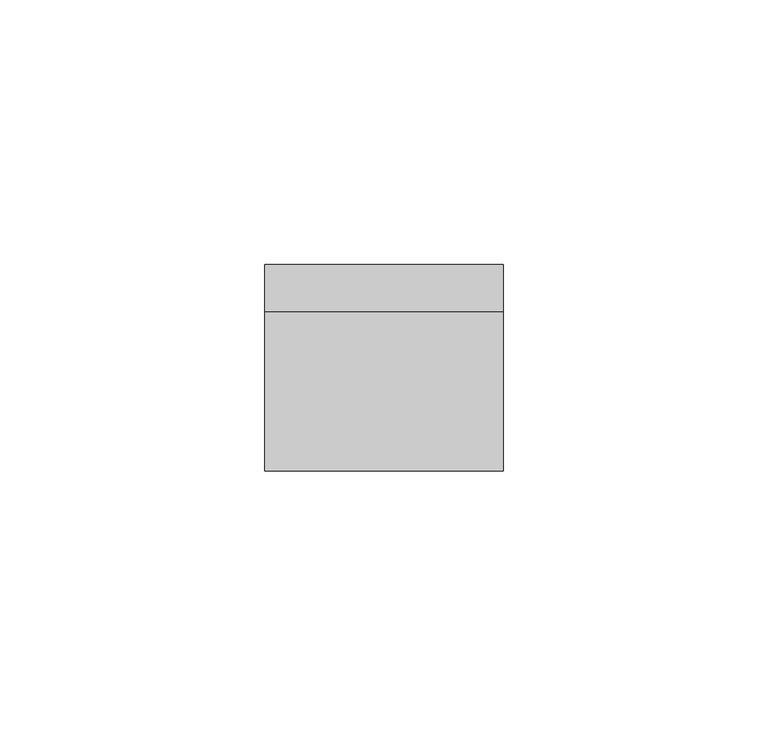
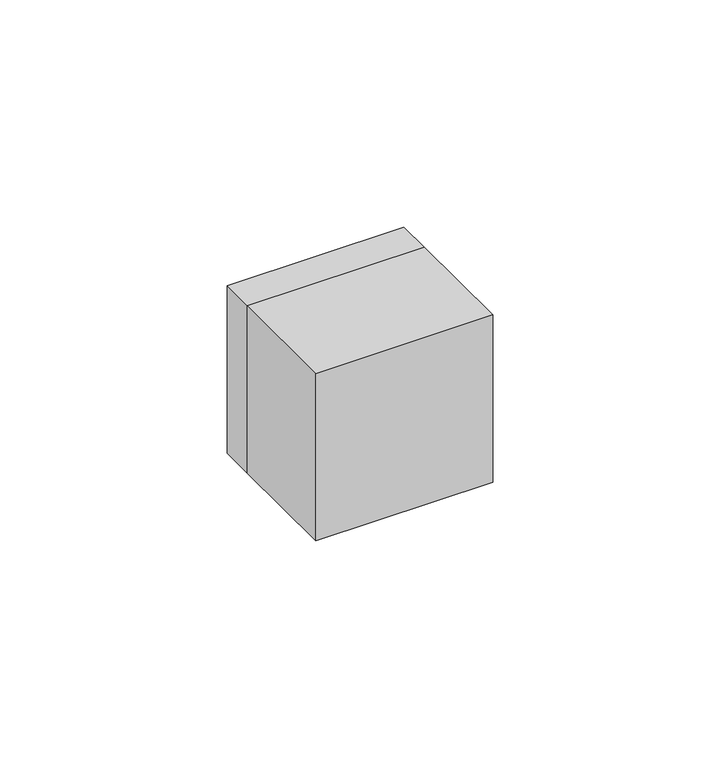
"""IFC4 building model written with IfcOpenShell, lengths in millimetres: electric appliance geometry."""

from ifc_helpers import new_model, si_unit, point, frame, origin, origin_2d, place, context, project, spatial, polyline, circle_curve, trimmed, segment, composite_curve, outline, extrude, source, transform, mapped, element, save


def electric_appliance_254e0678(model_context):
    return source(origin(), model_context, "Body", "SweptSolid", [
        extrude(outline(composite_curve([segment(trimmed(circle_curve(origin_2d(), 1.9), [point((0.0, 1.9))], [point((0.0, -1.9))], False, "CARTESIAN"), True, "CONTINUOUS"), segment(trimmed(circle_curve(origin_2d(), 1.9), [point((0.0, -1.9))], [point((0.0, 1.9))], False, "CARTESIAN"), True, "CONTINUOUS")], self_intersect=False), holes=[composite_curve([segment(trimmed(circle_curve(origin_2d(), 1.6), [point((0.0, -1.6))], [point((0.0, 1.6))], True, "CARTESIAN"), True, "CONTINUOUS"), segment(trimmed(circle_curve(origin_2d(), 1.6), [point((0.0, 1.6))], [point((0.0, -1.6))], True, "CARTESIAN"), True, "CONTINUOUS")], self_intersect=False)]), frame((0.0, 0.0, 0.0), z_axis=(0.0, 1.0, 0.0), x_axis=(0.0, 0.0, 1.0)), (0.0, 0.0, 1.0), 9.0),
        extrude(outline(composite_curve([segment(trimmed(circle_curve(origin_2d(), 5.8), [point((0.0, 5.8))], [point((0.0, -5.8))], False, "CARTESIAN"), True, "CONTINUOUS"), segment(trimmed(circle_curve(origin_2d(), 5.8), [point((0.0, -5.8))], [point((0.0, 5.8))], False, "CARTESIAN"), True, "CONTINUOUS")], self_intersect=False), holes=[composite_curve([segment(trimmed(circle_curve(origin_2d(), 5.5), [point((0.0, 5.5))], [point((0.0, -5.5))], True, "CARTESIAN"), True, "CONTINUOUS"), segment(trimmed(circle_curve(origin_2d(), 5.5), [point((0.0, -5.5))], [point((0.0, 5.5))], True, "CARTESIAN"), True, "CONTINUOUS")], self_intersect=False)]), frame((0.0, 0.0, 0.0), z_axis=(0.0, 1.0, 0.0), x_axis=(0.0, 0.0, 1.0)), (0.0, 0.0, 1.0), 9.0),
        extrude(outline(polyline([(22.5, -30.0), (-22.5, -30.0), (-22.5, 0.0), (22.5, 0.0), (22.5, -30.0)])), frame((0.0, 0.0, -22.5), z_axis=(0.0, 0.0, 1.0), x_axis=(1.0, 0.0, 0.0)), (0.0, 0.0, 1.0), 45.0),
        extrude(outline(polyline([(22.5, 22.5), (22.5, -22.5), (-22.5, -22.5), (-22.5, 22.5), (22.5, 22.5)]), holes=[composite_curve([segment(trimmed(circle_curve(origin_2d(), 6.1), [point((0.0, 6.1))], [point((0.0, -6.1))], True, "CARTESIAN"), True, "CONTINUOUS"), segment(trimmed(circle_curve(origin_2d(), 6.1), [point((0.0, -6.1))], [point((0.0, 6.1))], True, "CARTESIAN"), True, "CONTINUOUS")], self_intersect=False)]), frame((0.0, 0.0, 0.0), z_axis=(0.0, 1.0, 0.0), x_axis=(0.0, 0.0, 1.0)), (0.0, 0.0, 1.0), 9.0),
    ])


if __name__ == "__main__":
    model = new_model("IFC4")
    model_context = context("Model", 3, world=origin())
    ifc_project = project(units=[si_unit("LENGTHUNIT", "METRE", prefix="MILLI")], contexts=[model_context])
    site = spatial("IfcSite", under=ifc_project)
    building = spatial("IfcBuilding", under=site)
    placement = place(None, origin())
    electric_appliance_shape = electric_appliance_254e0678(model_context)
    element("IfcElectricAppliance", 1, at=placement, inside=building, context=model_context, shape_type="MappedRepresentation", body=[
        mapped(electric_appliance_shape, transform((0.0, 0.0, 0.0), x_axis=(1.0, 0.0, 0.0), y_axis=(0.0, 1.0, 0.0), z_axis=(0.0, 0.0, 1.0))),
    ])
    save(model, "model.ifc")
